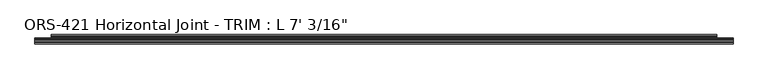
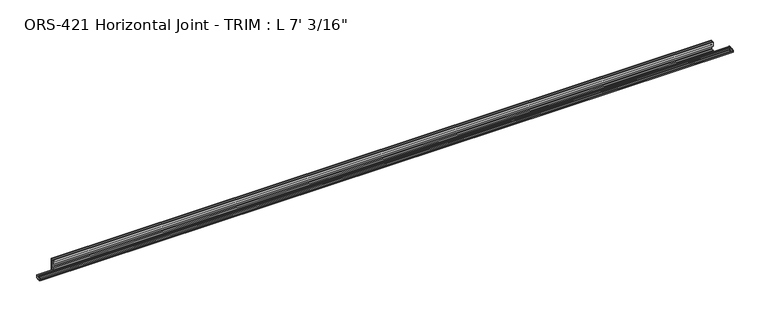
"""IFC4 building model written with IfcOpenShell, lengths in millimetres: proxy geometry."""

from ifc_helpers import new_model, si_unit, frame, origin, place, context, project, spatial, polyline, circle_curve, source, transform, mapped, element, save
from ifc_brep_helpers import plane_surface, cylinder_surface, revolved_surface, advanced_brep


def proxy_d46a2416(model_context):
    return source(origin(), model_context, "Body", "AdvancedBrep", [
        advanced_brep(
        [(2138.3625, -9.5227724, 14.2748961), (2138.3625, -11.1103088, 12.7000961), (2138.3625, -13.9276212, 12.7000961), (2138.3625, -17.0157724, 12.7000961), (2138.3625, -21.6311968, 12.7000961), (2138.3625, -24.719348, 12.7000961), (2138.3625, -28.5727724, 12.7000961), (2138.3625, -28.5727724, 10.9764677), (2138.3625, -27.3839904, 11.2304677), (2138.3625, -26.6022585, 10.9764677), (2138.3625, -25.807936, 11.2304677), (2138.3625, -25.0262041, 10.9764677), (2138.3625, -24.2318817, 11.2304677), (2138.3625, -23.4501498, 10.9764677), (2138.3625, -22.655827, 11.2304677), (2138.3625, -21.8740954, 10.9764677), (2138.3625, -21.0797726, 11.2304677), (2138.3625, -21.0797726, 7.806928), (2138.3625, -21.8740954, 8.060928), (2138.3625, -22.655827, 7.806928), (2138.3625, -23.4501498, 8.060928), (2138.3625, -24.2318817, 7.806928), (2138.3625, -25.0262041, 8.060928), (2138.3625, -25.807936, 7.806928), (2138.3625, -26.6022585, 8.060928), (2138.3625, -27.3839904, 7.806928), (2138.3625, -28.5727724, 8.0609281), (2138.3625, -28.5727724, 6.3372997), (2138.3625, -24.719348, 6.3372997), (2138.3625, -21.6311968, 6.3372997), (2138.3625, -17.0157724, 6.3372997), (2138.3625, -13.9276212, 6.3372997), (2138.3625, -11.1103088, 6.3372997), (2138.3625, -9.5227724, 4.7624997), (0.0, -9.5227724, 4.7624997), (0.0, -11.1103088, 6.3372997), (0.0, -13.9276212, 6.3372997), (0.0, -17.0157724, 6.3372997), (0.0, -21.6311968, 6.3372997), (0.0, -24.719348, 6.3372997), (0.0, -28.5727724, 6.3372997), (0.0, -28.5727724, 8.0609281), (0.0, -27.3839904, 7.806928), (0.0, -26.6022585, 8.060928), (0.0, -25.807936, 7.806928), (0.0, -25.0262041, 8.060928), (0.0, -24.2318817, 7.806928), (0.0, -23.4501498, 8.060928), (0.0, -22.655827, 7.806928), (0.0, -21.8740954, 8.060928), (0.0, -21.0797726, 7.806928), (0.0, -21.0797726, 11.2304677), (0.0, -21.8740954, 10.9764677), (0.0, -22.655827, 11.2304677), (0.0, -23.4501498, 10.9764677), (0.0, -24.2318817, 11.2304677), (0.0, -25.0262041, 10.9764677), (0.0, -25.807936, 11.2304677), (0.0, -26.6022585, 10.9764677), (0.0, -27.3839904, 11.2304677), (0.0, -28.5727724, 10.9764677), (0.0, -28.5727724, 12.7000961), (0.0, -24.719348, 12.7000961), (0.0, -21.6311968, 12.7000961), (0.0, -17.0157724, 12.7000961), (0.0, -13.9276212, 12.7000961), (0.0, -11.1103088, 12.7000961), (0.0, -9.5227724, 14.2748961), (2087.5625, -9.5227724, 4.7624997), (2087.5625, -9.5227724, 14.2748961), (50.8, -9.5227724, 14.2748961), (50.8, -9.5227724, 4.7624997), (2087.5625, -7.2821477, 4.7624997), (2087.5625, -5.3863371, 15.8340338), (2087.5625, -3.1774988, 15.8340338), (2087.5625, -3.1774988, 0.0), (2087.5625, 0.0, 0.0), (2087.5625, 0.0, 44.8483756), (2087.5625, -3.1774988, 44.8483756), (2087.5625, -3.1774988, 33.81375), (2087.5625, -5.392657, 33.81375), (2087.5625, -7.2036308, 44.3898369), (2087.5625, -8.3323044, 44.8490303), (2087.5625, -9.525, 44.3237531), (2087.5625, -9.525, 31.90875), (2087.5625, -3.81, 31.90875), (2087.5625, -1.905, 30.00375), (2087.5625, -1.905, 20.0025), (2087.5625, -3.81, 18.0975), (2087.5625, -9.5227724, 18.0975), (50.8, -9.5227724, 18.0975), (50.8, -3.81, 18.0975), (50.8, -1.905, 20.0025), (50.8, -1.905, 30.00375), (50.8, -3.81, 31.90875), (50.8, -9.525, 31.90875), (50.8, -9.525, 44.3237531), (50.8, -8.3323044, 44.8490303), (50.8, -7.2036308, 44.3898369), (50.8, -5.392657, 33.81375), (50.8, -3.1774988, 33.81375), (50.8, -3.1774988, 44.8483756), (50.8, 0.0, 44.8483756), (50.8, 0.0, 0.0), (50.8, -3.1774988, 0.0), (50.8, -3.1774988, 15.8340338), (50.8, -5.3863371, 15.8340338), (50.8, -7.2821477, 4.7624997)],
        [
            (0, 1, circle_curve(frame((2138.3625, -11.1103088, 14.287684), z_axis=(-1.0, 0.0, 0.0), x_axis=(0.0, 1.0, 0.0)), 1.5875879)),
            (1, 2),
            (2, 3, circle_curve(frame((2138.3625, -15.4716968, 12.7000961), z_axis=(1.0, 0.0, 0.0), x_axis=(0.0, 1.0, 0.0)), 1.5440756)),
            (3, 4),
            (4, 5, circle_curve(frame((2138.3625, -23.1752724, 12.7000961), z_axis=(1.0, 0.0, 0.0), x_axis=(0.0, 1.0, 0.0)), 1.5440756)),
            (5, 6),
            (6, 7),
            (7, 8),
            (8, 9),
            (9, 10),
            (10, 11),
            (11, 12),
            (12, 13),
            (13, 14),
            (14, 15),
            (15, 16),
            (16, 17, circle_curve(frame((2138.3625, -22.0566797, 9.5186979), z_axis=(-1.0, 0.0, 0.0), x_axis=(0.0, 1.0, 0.0)), 1.9709143)),
            (17, 18),
            (18, 19),
            (19, 20),
            (20, 21),
            (21, 22),
            (22, 23),
            (23, 24),
            (24, 25),
            (25, 26),
            (26, 27),
            (27, 28),
            (28, 29, circle_curve(frame((2138.3625, -23.1752724, 6.3372997), z_axis=(1.0, 0.0, 0.0), x_axis=(0.0, 1.0, 0.0)), 1.5440756)),
            (29, 30),
            (30, 31, circle_curve(frame((2138.3625, -15.4716968, 6.3372997), z_axis=(1.0, 0.0, 0.0), x_axis=(0.0, 1.0, 0.0)), 1.5440756)),
            (31, 32),
            (32, 33, circle_curve(frame((2138.3625, -11.1103088, 4.7497118), z_axis=(-1.0, 0.0, 0.0), x_axis=(0.0, 1.0, 0.0)), 1.5875879)),
            (33, 0),
            (34, 35, circle_curve(frame((0.0, -11.1103088, 4.7497118), z_axis=(1.0, 0.0, 0.0), x_axis=(0.0, 1.0, 0.0)), 1.5875879)),
            (35, 36),
            (36, 37, circle_curve(frame((0.0, -15.4716968, 6.3372997), z_axis=(-1.0, 0.0, 0.0), x_axis=(0.0, 1.0, 0.0)), 1.5440756)),
            (37, 38),
            (38, 39, circle_curve(frame((0.0, -23.1752724, 6.3372997), z_axis=(-1.0, 0.0, 0.0), x_axis=(0.0, 1.0, 0.0)), 1.5440756)),
            (39, 40),
            (40, 41),
            (41, 42),
            (42, 43),
            (43, 44),
            (44, 45),
            (45, 46),
            (46, 47),
            (47, 48),
            (48, 49),
            (49, 50),
            (50, 51, circle_curve(frame((0.0, -22.0566797, 9.5186979), z_axis=(1.0, 0.0, 0.0), x_axis=(0.0, 1.0, 0.0)), 1.9709143)),
            (51, 52),
            (52, 53),
            (53, 54),
            (54, 55),
            (55, 56),
            (56, 57),
            (57, 58),
            (58, 59),
            (59, 60),
            (60, 61),
            (61, 62),
            (62, 63, circle_curve(frame((0.0, -23.1752724, 12.7000961), z_axis=(-1.0, 0.0, 0.0), x_axis=(0.0, 1.0, 0.0)), 1.5440756)),
            (63, 64),
            (64, 65, circle_curve(frame((0.0, -15.4716968, 12.7000961), z_axis=(-1.0, 0.0, 0.0), x_axis=(0.0, 1.0, 0.0)), 1.5440756)),
            (65, 66),
            (66, 67, circle_curve(frame((0.0, -11.1103088, 14.287684), z_axis=(1.0, 0.0, 0.0), x_axis=(0.0, 1.0, 0.0)), 1.5875879)),
            (67, 34),
            (68, 69),
            (69, 0),
            (33, 68),
            (70, 71),
            (71, 34),
            (67, 70),
            (68, 72),
            (72, 73),
            (73, 74),
            (74, 75),
            (75, 76),
            (76, 77),
            (77, 78),
            (78, 79),
            (79, 80),
            (80, 81),
            (81, 82, circle_curve(frame((2087.5625, -8.3323044, 43.2323228), z_axis=(1.0, 0.0, 0.0), x_axis=(0.0, 1.0, 0.0)), 1.6167075)),
            (82, 83, circle_curve(frame((2087.5625, -8.3323044, 43.2323228), z_axis=(1.0, 0.0, 0.0), x_axis=(0.0, 1.0, 0.0)), 1.6167075)),
            (83, 84),
            (84, 85),
            (85, 86, circle_curve(frame((2087.5625, -3.81, 30.00375), z_axis=(-1.0, 0.0, 0.0), x_axis=(0.0, 1.0, 0.0)), 1.905)),
            (86, 87),
            (87, 88, circle_curve(frame((2087.5625, -3.81, 20.0025), z_axis=(-1.0, 0.0, 0.0), x_axis=(0.0, 1.0, 0.0)), 1.905)),
            (88, 89),
            (89, 69),
            (70, 90),
            (90, 91),
            (91, 92, circle_curve(frame((50.8, -3.81, 20.0025), z_axis=(1.0, 0.0, 0.0), x_axis=(0.0, 1.0, 0.0)), 1.905)),
            (92, 93),
            (93, 94, circle_curve(frame((50.8, -3.81, 30.00375), z_axis=(1.0, 0.0, 0.0), x_axis=(0.0, 1.0, 0.0)), 1.905)),
            (94, 95),
            (95, 96),
            (96, 97, circle_curve(frame((50.8, -8.3323044, 43.2323228), z_axis=(-1.0, 0.0, 0.0), x_axis=(0.0, 1.0, 0.0)), 1.6167075)),
            (97, 98, circle_curve(frame((50.8, -8.3323044, 43.2323228), z_axis=(-1.0, 0.0, 0.0), x_axis=(0.0, 1.0, 0.0)), 1.6167075)),
            (98, 99),
            (99, 100),
            (100, 101),
            (101, 102),
            (102, 103),
            (103, 104),
            (104, 105),
            (105, 106),
            (106, 107),
            (107, 71),
            (83, 96),
            (95, 84),
            (94, 85),
            (93, 86),
            (92, 87),
            (91, 88),
            (90, 89),
            (70, 69),
            (66, 1),
            (65, 2),
            (64, 3),
            (63, 4),
            (62, 5),
            (61, 6),
            (60, 7),
            (59, 8),
            (58, 9),
            (57, 10),
            (56, 11),
            (55, 12),
            (54, 13),
            (53, 14),
            (52, 15),
            (51, 16),
            (50, 17),
            (49, 18),
            (48, 19),
            (47, 20),
            (46, 21),
            (45, 22),
            (44, 23),
            (43, 24),
            (42, 25),
            (41, 26),
            (40, 27),
            (39, 28),
            (38, 29),
            (37, 30),
            (36, 31),
            (35, 32),
            (71, 68),
            (107, 72),
            (106, 73),
            (105, 74),
            (104, 75),
            (103, 76),
            (102, 77),
            (101, 78),
            (100, 79),
            (99, 80),
            (98, 81),
        ],
        [
            plane_surface(frame((2138.3625, -9.525, 44.3237531), z_axis=(1.0, 0.0, 0.0), x_axis=(0.0, 0.0, -1.0))),
            plane_surface(frame((0.0, -9.525, 44.3237531), z_axis=(-1.0, 0.0, 0.0), x_axis=(0.0, 0.0, 1.0))),
            plane_surface(frame((2087.5625, -9.5227724, 44.8490303), z_axis=(0.0, 1.0, 0.0), x_axis=(0.0, 0.0, -1.0))),
            plane_surface(frame((2087.5625, -9.5227724, 44.8490303), z_axis=(1.0, 0.0, 0.0), x_axis=(0.0, 1.0, 0.0))),
            plane_surface(frame((50.8, -9.5227724, 0.0), z_axis=(-1.0, 0.0, 0.0), x_axis=(0.0, 1.0, 0.0))),
            plane_surface(frame((2138.3625, -9.525, 44.3237531), z_axis=(0.0, -1.0, 0.0), x_axis=(-1.0, 0.0, 0.0))),
            plane_surface(frame((2138.3625, -9.525, 31.90875), z_axis=(0.0, 0.0, -1.0), x_axis=(-1.0, 0.0, 0.0))),
            revolved_surface(polyline([(50.8, -1.905, 30.00375), (2087.5625, -1.905, 30.00375)]), (0.0, -3.81, 30.00375), (-1.0, 0.0, 0.0)),
            plane_surface(frame((2138.3625, -1.905, 30.00375), z_axis=(0.0, -1.0, 0.0), x_axis=(-1.0, 0.0, 0.0))),
            revolved_surface(polyline([(50.8, -1.905, 20.0025), (2087.5625, -1.905, 20.0025)]), (0.0, -3.81, 20.0025), (-1.0, 0.0, 0.0)),
            plane_surface(frame((2138.3625, -3.81, 18.0975), z_axis=(0.0, 0.0, 1.0), x_axis=(-1.0, 0.0, 0.0))),
            plane_surface(frame((2138.3625, -9.5227724, 18.0975), z_axis=(0.0, -1.0, 0.0), x_axis=(-1.0, 0.0, 0.0))),
            revolved_surface(polyline([(0.0, -9.5227209, 14.287684), (2138.3625, -9.5227209, 14.287684)]), (0.0, -11.1103088, 14.287684), (-1.0, 0.0, 0.0)),
            plane_surface(frame((2138.3625, -11.1103088, 12.7000961), z_axis=(0.0, 0.0, 1.0), x_axis=(-1.0, 0.0, 0.0))),
            cylinder_surface(frame((0.0, -15.4716968, 12.7000961), z_axis=(1.0, 0.0, 0.0), x_axis=(0.0, 1.0, 0.0)), 1.5440756),
            plane_surface(frame((2138.3625, -17.0157724, 12.7000961), z_axis=(0.0, 2.5125332435120043e-12, 1.0), x_axis=(-1.0, 0.0, 0.0))),
            cylinder_surface(frame((0.0, -23.1752724, 12.7000961), z_axis=(1.0, 0.0, 0.0), x_axis=(0.0, 1.0, 0.0)), 1.5440756),
            plane_surface(frame((2138.3625, -24.719348, 12.7000961), z_axis=(0.0, 3.0258427879761502e-12, 1.0), x_axis=(-1.0, 0.0, 0.0))),
            plane_surface(frame((2138.3625, -28.5727724, 12.7000961), z_axis=(0.0, -1.0, 0.0), x_axis=(-1.0, 0.0, 0.0))),
            plane_surface(frame((2138.3625, -28.5727724, 10.9764677), z_axis=(0.0, 0.20894784040333542, -0.9779267866209527), x_axis=(-1.0, 0.0, 0.0))),
            plane_surface(frame((2138.3625, -27.3839904, 11.2304677), z_axis=(0.0, -0.30901689684287886, -0.9510565479852382), x_axis=(-1.0, 0.0, 0.0))),
            plane_surface(frame((2138.3625, -26.6022585, 10.9764677), z_axis=(0.0, 0.30457645188190946, -0.9524878922899896), x_axis=(-1.0, 0.0, 0.0))),
            plane_surface(frame((2138.3625, -25.807936, 11.2304677), z_axis=(0.0, -0.3090168968428797, -0.9510565479852379), x_axis=(-1.0, 0.0, 0.0))),
            plane_surface(frame((2138.3625, -25.0262041, 10.9764677), z_axis=(0.0, 0.3045764518819082, -0.9524878922899901), x_axis=(-1.0, 0.0, 0.0))),
            plane_surface(frame((2138.3625, -24.2318817, 11.2304677), z_axis=(0.0, -0.3090168968428797, -0.9510565479852379), x_axis=(-1.0, 0.0, 0.0))),
            plane_surface(frame((2138.3625, -23.4501498, 10.9764677), z_axis=(0.0, 0.30457635699014574, -0.9524879226334638), x_axis=(-1.0, 0.0, 0.0))),
            plane_surface(frame((2138.3625, -22.655827, 11.2304677), z_axis=(0.0, -0.30901699437495134, -0.9510565162951523), x_axis=(-1.0, 0.0, 0.0))),
            plane_surface(frame((2138.3625, -21.8740954, 10.9764677), z_axis=(0.0, 0.30457635699014957, -0.9524879226334626), x_axis=(-1.0, 0.0, 0.0))),
            revolved_surface(polyline([(0.0, -20.0857654, 9.5186979), (2138.3625, -20.0857654, 9.5186979)]), (0.0, -22.0566797, 9.5186979), (-1.0, 0.0, 0.0)),
            plane_surface(frame((2138.3625, -21.0797726, 7.806928), z_axis=(0.0, 0.30457635699015473, 0.9524879226334609), x_axis=(-1.0, 0.0, 0.0))),
            plane_surface(frame((2138.3625, -21.8740954, 8.060928), z_axis=(0.0, -0.309016994374944, 0.9510565162951548), x_axis=(-1.0, 0.0, 0.0))),
            plane_surface(frame((2138.3625, -22.655827, 7.806928), z_axis=(0.0, 0.3045763569901553, 0.9524879226334608), x_axis=(-1.0, 0.0, 0.0))),
            plane_surface(frame((2138.3625, -23.4501498, 8.060928), z_axis=(0.0, -0.30901689684287503, 0.9510565479852395), x_axis=(-1.0, 0.0, 0.0))),
            plane_surface(frame((2138.3625, -24.2318817, 7.806928), z_axis=(0.0, 0.3045764518819151, 0.9524878922899879), x_axis=(-1.0, 0.0, 0.0))),
            plane_surface(frame((2138.3625, -25.0262041, 8.060928), z_axis=(0.0, -0.3090168968428747, 0.9510565479852396), x_axis=(-1.0, 0.0, 0.0))),
            plane_surface(frame((2138.3625, -25.807936, 7.806928), z_axis=(0.0, 0.30457645188191784, 0.952487892289987), x_axis=(-1.0, 0.0, 0.0))),
            plane_surface(frame((2138.3625, -26.6022585, 8.060928), z_axis=(0.0, -0.30901689684287387, 0.9510565479852398), x_axis=(-1.0, 0.0, 0.0))),
            plane_surface(frame((2138.3625, -27.3839904, 7.806928), z_axis=(0.0, 0.20894784040334335, 0.977926786620951), x_axis=(-1.0, 0.0, 0.0))),
            plane_surface(frame((2138.3625, -28.5727724, 8.0609281), z_axis=(0.0, -1.0, 0.0), x_axis=(-1.0, 0.0, 0.0))),
            plane_surface(frame((2138.3625, -28.5727724, 6.3372997), z_axis=(0.0, 3.0220007964079006e-12, -1.0), x_axis=(-1.0, 0.0, 0.0))),
            cylinder_surface(frame((0.0, -23.1752724, 6.3372997), z_axis=(1.0, 0.0, 0.0), x_axis=(0.0, 1.0, 0.0)), 1.5440756),
            plane_surface(frame((2138.3625, -21.6311968, 6.3372997), z_axis=(0.0, 0.0, -1.0), x_axis=(-1.0, 0.0, 0.0))),
            cylinder_surface(frame((0.0, -15.4716968, 6.3372997), z_axis=(1.0, 0.0, 0.0), x_axis=(0.0, 1.0, 0.0)), 1.5440756),
            plane_surface(frame((2138.3625, -13.9276212, 6.3372997), z_axis=(0.0, 0.0, -1.0), x_axis=(-1.0, 0.0, 0.0))),
            revolved_surface(polyline([(0.0, -9.5227209, 4.7497118), (2138.3625, -9.5227209, 4.7497118)]), (0.0, -11.1103088, 4.7497118), (-1.0, 0.0, 0.0)),
            plane_surface(frame((2138.3625, -9.5227724, 4.7624997), z_axis=(0.0, 0.0, -1.0), x_axis=(-1.0, 0.0, 0.0))),
            plane_surface(frame((2138.3625, -7.2821477, 4.7624997), z_axis=(0.0, 0.9856543593999756, -0.16877643139912585), x_axis=(-1.0, 0.0, 0.0))),
            plane_surface(frame((2138.3625, -5.3863371, 15.8340338), z_axis=(0.0, 0.0, -1.0), x_axis=(-1.0, 0.0, 0.0))),
            plane_surface(frame((2138.3625, -3.1774988, 15.8340338), z_axis=(0.0, -1.0, 0.0), x_axis=(-1.0, 0.0, 0.0))),
            plane_surface(frame((2138.3625, -3.1774988, 0.0), z_axis=(0.0, 0.0, -1.0), x_axis=(-1.0, 0.0, 0.0))),
            plane_surface(frame((2138.3625, 0.0, 0.0), z_axis=(0.0, 1.0, 0.0), x_axis=(-1.0, 0.0, 0.0))),
            plane_surface(frame((2138.3625, 0.0, 44.8483756), z_axis=(0.0, 0.0, 1.0), x_axis=(-1.0, 0.0, 0.0))),
            plane_surface(frame((2138.3625, -3.1774988, 44.8483756), z_axis=(0.0, -1.0, 0.0), x_axis=(-1.0, 0.0, 0.0))),
            plane_surface(frame((2138.3625, -3.1774988, 33.81375), z_axis=(0.0, 0.0, 1.0), x_axis=(-1.0, 0.0, 0.0))),
            plane_surface(frame((2138.3625, -5.392657, 33.81375), z_axis=(0.0, 0.9856543593994344, 0.16877643140228668), x_axis=(-1.0, 0.0, 0.0))),
            cylinder_surface(frame((0.0, -8.3323044, 43.2323228), z_axis=(1.0, 0.0, 0.0), x_axis=(0.0, 1.0, 0.0)), 1.6167075),
        ],
        [
            (0, [[1, 2, 3, 4, 5, 6, 7, 8, 9, 10, 11, 12, 13, 14, 15, 16, 17, 18, 19, 20, 21, 22, 23, 24, 25, 26, 27, 28, 29, 30, 31, 32, 33, 34]]),
            (1, [[35, 36, 37, 38, 39, 40, 41, 42, 43, 44, 45, 46, 47, 48, 49, 50, 51, 52, 53, 54, 55, 56, 57, 58, 59, 60, 61, 62, 63, 64, 65, 66, 67, 68]]),
            (2, [[69, 70, -34, 71]]),
            (2, [[72, 73, -68, 74]]),
            (3, [[-69, 75, 76, 77, 78, 79, 80, 81, 82, 83, 84, 85, 86, 87, 88, 89, 90, 91, 92, 93]]),
            (4, [[-72, 94, 95, 96, 97, 98, 99, 100, 101, 102, 103, 104, 105, 106, 107, 108, 109, 110, 111, 112]]),
            (5, [[113, -100, 114, -87]]),
            (6, [[-114, -99, 115, -88]]),
            (7, [[-115, -98, 116, -89]]),
            (8, [[-116, -97, 117, -90]]),
            (9, [[-117, -96, 118, -91]]),
            (10, [[-118, -95, 119, -92]]),
            (11, [[-119, -94, 120, -93]]),
            (12, [[-1, -70, -120, -74, -67, 121]]),
            (13, [[-2, -121, -66, 122]]),
            (14, [[-3, -122, -65, 123]]),
            (15, [[-4, -123, -64, 124]]),
            (16, [[-5, -124, -63, 125]]),
            (17, [[-6, -125, -62, 126]]),
            (18, [[-7, -126, -61, 127]]),
            (19, [[-8, -127, -60, 128]]),
            (20, [[-9, -128, -59, 129]]),
            (21, [[-10, -129, -58, 130]]),
            (22, [[-11, -130, -57, 131]]),
            (23, [[-12, -131, -56, 132]]),
            (24, [[-13, -132, -55, 133]]),
            (25, [[-14, -133, -54, 134]]),
            (26, [[-15, -134, -53, 135]]),
            (27, [[-16, -135, -52, 136]]),
            (28, [[-17, -136, -51, 137]]),
            (29, [[-18, -137, -50, 138]]),
            (30, [[-19, -138, -49, 139]]),
            (31, [[-20, -139, -48, 140]]),
            (32, [[-21, -140, -47, 141]]),
            (33, [[-22, -141, -46, 142]]),
            (34, [[-23, -142, -45, 143]]),
            (35, [[-24, -143, -44, 144]]),
            (36, [[-25, -144, -43, 145]]),
            (37, [[-26, -145, -42, 146]]),
            (38, [[-27, -146, -41, 147]]),
            (39, [[-28, -147, -40, 148]]),
            (40, [[-29, -148, -39, 149]]),
            (41, [[-30, -149, -38, 150]]),
            (42, [[-31, -150, -37, 151]]),
            (43, [[-32, -151, -36, 152]]),
            (44, [[-33, -152, -35, -73, 153, -71]]),
            (45, [[-153, -112, 154, -75]]),
            (46, [[-154, -111, 155, -76]]),
            (47, [[-155, -110, 156, -77]]),
            (48, [[-156, -109, 157, -78]]),
            (49, [[-157, -108, 158, -79]]),
            (50, [[-158, -107, 159, -80]]),
            (51, [[-159, -106, 160, -81]]),
            (52, [[-160, -105, 161, -82]]),
            (53, [[-161, -104, 162, -83]]),
            (54, [[-162, -103, 163, -84]]),
            (55, [[-113, -86, -85, -163, -102, -101]]),
        ],
    ),
    ])


if __name__ == "__main__":
    model = new_model("IFC4")
    model_context = context("Model", 3, world=origin())
    ifc_project = project(units=[si_unit("LENGTHUNIT", "METRE", prefix="MILLI")], contexts=[model_context])
    site = spatial("IfcSite", under=ifc_project)
    building = spatial("IfcBuilding", under=site)
    placement = place(None, origin())
    proxy_shape = proxy_d46a2416(model_context)
    element("IfcBuildingElementProxy", 1, Name="ORS-421 Horizontal Joint - TRIM : L 7' 3/16\"", ObjectType="ORS-421 Horizontal Joint - TRIM : L 7' 3/16\"", at=placement, inside=building, context=model_context, shape_type="MappedRepresentation", body=[
        mapped(proxy_shape, transform((0.0, 0.0, 0.0), x_axis=(1.0, 0.0, 0.0), y_axis=(0.0, 1.0, 0.0), z_axis=(0.0, 0.0, 1.0))),
    ])
    save(model, "model.ifc")
